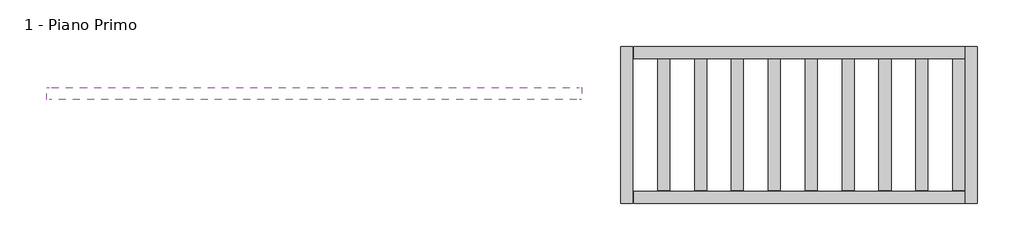
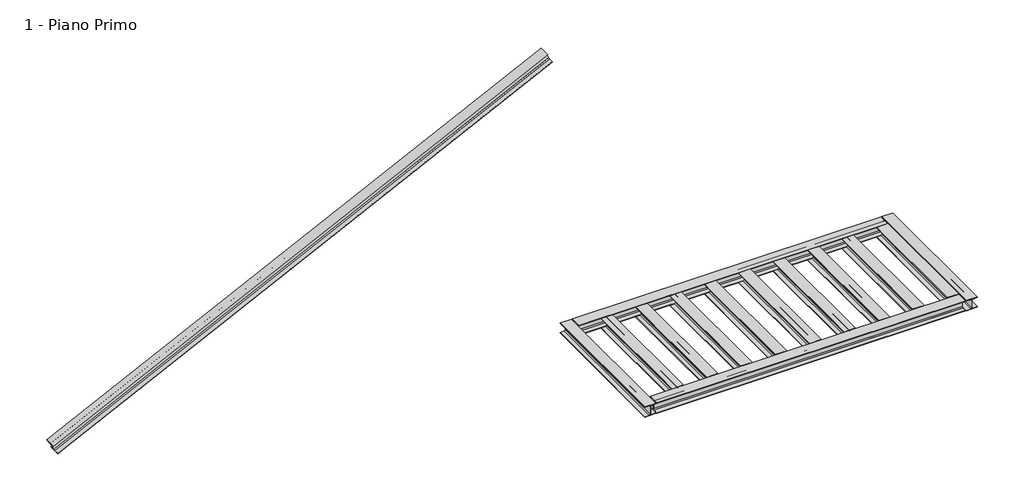
# One storey: 14 beams.
"""IFC4 building model written with IfcOpenShell, lengths in millimetres."""

import ifcopenshell
import ifcopenshell.guid

model = None  # the IFC model being written
_history = None  # IfcOwnerHistory: only IFC2X3 demands one
_inside = {}  # id of a spatial element -> (the spatial element, [elements in it])
_under = {}  # id of a project, library or spatial element -> (it, [spatial elements below it])
_declared = {}  # id of a project -> (the project, [libraries it declares])
_typed = {}  # id of a type object -> (the type object, [elements of that type])
_made_of = {}  # id of a material, layer set ... -> (it, [elements and type objects made of it])


def new_model(schema):
    """Start an empty IFC model of exactly this schema.

    Asked for "IFC4X3", IfcOpenShell would pick the latest addendum, in which some entities
    have other attributes; the version numbers below select the first issue.
    IFC2X3 requires an IfcOwnerHistory on every rooted entity: one is made here for all.
    """
    global model, _history
    if schema == "IFC4X3":
        model = ifcopenshell.file(schema_version=(4, 3, 0, 0))
    else:
        model = ifcopenshell.file(schema=schema)
    _inside.clear()
    _under.clear()
    _declared.clear()
    _typed.clear()
    _made_of.clear()
    _history = None
    if model.schema == "IFC2X3":
        org = make("IfcOrganization", Name="unknown")
        user = make(
            "IfcPersonAndOrganization",
            ThePerson=make("IfcPerson", FamilyName="unknown"),
            TheOrganization=org,
        )
        app = make(
            "IfcApplication",
            ApplicationDeveloper=org,
            Version="unknown",
            ApplicationFullName="unknown",
            ApplicationIdentifier="unknown",
        )
        _history = make(
            "IfcOwnerHistory",
            OwningUser=user,
            OwningApplication=app,
            ChangeAction="ADDED",
            CreationDate=0,
        )
    return model


def make(cls, **values):
    """One entity of the class cls with the attributes given. An attribute that is None is left unset."""
    return model.create_entity(
        cls, **{name: value for name, value in values.items() if value is not None}
    )


def rooted(cls, **values):
    """An entity with a GlobalId (a new one), such as an element, a storey or a relation."""
    return make(cls, GlobalId=ifcopenshell.guid.new(), OwnerHistory=_history, **values)


def si_unit(unit_type, name, prefix=None):
    """IfcSIUnit, for example si_unit("LENGTHUNIT", "METRE", prefix="MILLI")."""
    return make("IfcSIUnit", UnitType=unit_type, Prefix=prefix, Name=name)


def assignment(units):
    """IfcUnitAssignment: the units of a project."""
    return None if units is None else make("IfcUnitAssignment", Units=units)


def point(xyz):
    """IfcCartesianPoint."""
    return None if xyz is None else make("IfcCartesianPoint", Coordinates=xyz)


def direction(xyz):
    """IfcDirection."""
    return None if xyz is None else make("IfcDirection", DirectionRatios=xyz)


def frame(location, z_axis=None, x_axis=None):
    """IfcAxis2Placement3D, a coordinate frame: its origin and axes. An axis left out is left unset."""
    return make(
        "IfcAxis2Placement3D",
        Location=point(location),
        Axis=direction(z_axis),
        RefDirection=direction(x_axis),
    )


def frame_2d(location, x_axis=None):
    """IfcAxis2Placement2D, a coordinate frame in the plane: its origin and x axis."""
    return make(
        "IfcAxis2Placement2D", Location=point(location), RefDirection=direction(x_axis)
    )


def origin():
    """The frame at (0, 0, 0) with its axes left unset."""
    return frame((0.0, 0.0, 0.0))


def place(relative_to, where):
    """IfcLocalPlacement: puts the frame where relative to a parent placement (None: the world)."""
    return make(
        "IfcLocalPlacement", PlacementRelTo=relative_to, RelativePlacement=where
    )


def context(
    kind, dimensions, precision=None, world=None, true_north=None, identifier=None
):
    """IfcGeometricRepresentationContext, for example the 3D "Model" context."""
    return make(
        "IfcGeometricRepresentationContext",
        ContextIdentifier=identifier,
        ContextType=kind,
        CoordinateSpaceDimension=dimensions,
        Precision=precision,
        WorldCoordinateSystem=world,
        TrueNorth=true_north,
    )


def project(units=None, contexts=None):
    """IfcProject with its units and contexts."""
    return rooted(
        "IfcProject",
        Name="project",
        RepresentationContexts=contexts,
        UnitsInContext=assignment(units),
    )


def spatial(cls, under=None, at=None, **own):
    """A site, building, storey or space (cls), placed at a placement, below another one or the project."""
    s = rooted(cls, ObjectPlacement=at, **own)
    if under is not None:
        _under.setdefault(under.id(), (under, []))[1].append(s)
    return s


def polyline(points):
    """IfcPolyline through the points."""
    return make("IfcPolyline", Points=[point(p) for p in points])


def circle_curve(where, radius):
    """IfcCircle in the frame where."""
    return make("IfcCircle", Position=where, Radius=radius)


def trimmed(basis, trim1, trim2, sense, master):
    """IfcTrimmedCurve: the piece of a basis curve between two trims."""
    return make(
        "IfcTrimmedCurve",
        BasisCurve=basis,
        Trim1=trim1,
        Trim2=trim2,
        SenseAgreement=sense,
        MasterRepresentation=master,
    )


def segment(curve, same_sense, transition):
    """IfcCompositeCurveSegment."""
    return make(
        "IfcCompositeCurveSegment",
        Transition=transition,
        SameSense=same_sense,
        ParentCurve=curve,
    )


def composite_curve(segments, self_intersect=None):
    """IfcCompositeCurve: segments joined end to end."""
    return make("IfcCompositeCurve", Segments=segments, SelfIntersect=self_intersect)


def outline(outer, holes=None, kind="AREA"):
    """IfcArbitraryClosedProfileDef: a profile drawn as a closed curve; with holes, ...WithVoids."""
    if holes is None:
        return make("IfcArbitraryClosedProfileDef", ProfileType=kind, OuterCurve=outer)
    return make(
        "IfcArbitraryProfileDefWithVoids",
        ProfileType=kind,
        OuterCurve=outer,
        InnerCurves=holes,
    )


def extrude(swept, where, along, depth):
    """IfcExtrudedAreaSolid: the profile swept, set in the frame where, extruded along a direction by depth."""
    return make(
        "IfcExtrudedAreaSolid",
        SweptArea=swept,
        Position=where,
        ExtrudedDirection=direction(along),
        Depth=depth,
    )


def shape(context_of_items, identifier, shape_type, items):
    """IfcShapeRepresentation: the items that make up one representation, for example the "Body"."""
    return make(
        "IfcShapeRepresentation",
        ContextOfItems=context_of_items,
        RepresentationIdentifier=identifier,
        RepresentationType=shape_type,
        Items=items,
    )


def source(mapping_origin, context_of_items, identifier, shape_type, items):
    """IfcRepresentationMap: a shape defined once, which mapped items show again and again."""
    return make(
        "IfcRepresentationMap",
        MappingOrigin=mapping_origin,
        MappedRepresentation=shape(context_of_items, identifier, shape_type, items),
    )


def transform(
    local_origin,
    x_axis=None,
    y_axis=None,
    z_axis=None,
    scale=None,
    scale2=None,
    scale3=None,
    uniform=True,
):
    """IfcCartesianTransformationOperator3D, or its non-uniform kind. x_axis, y_axis, z_axis: its Axis1, 2, 3."""
    if uniform:
        return make(
            "IfcCartesianTransformationOperator3D",
            Axis1=direction(x_axis),
            Axis2=direction(y_axis),
            LocalOrigin=point(local_origin),
            Scale=scale,
            Axis3=direction(z_axis),
        )
    return make(
        "IfcCartesianTransformationOperator3DnonUniform",
        Axis1=direction(x_axis),
        Axis2=direction(y_axis),
        LocalOrigin=point(local_origin),
        Scale=scale,
        Axis3=direction(z_axis),
        Scale2=scale2,
        Scale3=scale3,
    )


def mapped(mapping_source, mapping_target):
    """IfcMappedItem: shows the shape of a source again, moved by a transform."""
    return make(
        "IfcMappedItem", MappingSource=mapping_source, MappingTarget=mapping_target
    )


def made_of(thing, what):
    """Note that an element or type object is made of a material, layer set ...; save() writes the relation."""
    if what is not None:
        _made_of.setdefault(what.id(), (what, []))[1].append(thing)
    return thing


def element(
    cls,
    number,
    at=None,
    inside=None,
    cuts=None,
    type_object=None,
    material=None,
    context=None,
    identifier="Body",
    shape_type=None,
    held_by="IfcProductDefinitionShape",
    body=None,
    shapes=None,
    **own,
):
    """One element of the class cls, such as IfcWall. Its Tag is "e" and its number.

    at: its placement. inside: the storey or other place that contains it. cuts: it is an
    opening in that element (IfcRelVoidsElement). A single representation is given by context,
    identifier, shape_type and body (its items); several are given by shapes. held_by: the class
    of the entity that holds the representations. save() writes the other relations.
    """
    e = rooted(cls, Tag="e%d" % number, ObjectPlacement=at, **own)
    if body is not None:
        shapes = [shape(context, identifier, shape_type, body)]
    if shapes is not None:
        e.Representation = make(held_by, Representations=shapes)
    if inside is not None:
        _inside.setdefault(inside.id(), (inside, []))[1].append(e)
    if cuts is not None:
        rooted(
            "IfcRelVoidsElement", RelatingBuildingElement=cuts, RelatedOpeningElement=e
        )
    if type_object is not None:
        _typed.setdefault(type_object.id(), (type_object, []))[1].append(e)
    return made_of(e, material)


def aggregate(whole, parts):
    """IfcRelAggregates: a whole, such as a stair, and the parts it consists of."""
    return rooted("IfcRelAggregates", RelatingObject=whole, RelatedObjects=parts)


def save(model, path):
    """Write the relations noted so far, then the file.

    IfcRelAggregates (storeys below a building ...), IfcRelContainedInSpatialStructure (elements
    in a storey), IfcRelDefinesByType, IfcRelAssociatesMaterial and IfcRelDeclares: one each for
    every whole, place, type object, material and project.
    """
    for whole, parts in _under.values():
        aggregate(whole, parts)
    for where, things in _inside.values():
        rooted(
            "IfcRelContainedInSpatialStructure",
            RelatedElements=things,
            RelatingStructure=where,
        )
    for kind, things in _typed.values():
        rooted("IfcRelDefinesByType", RelatedObjects=things, RelatingType=kind)
    for what, things in _made_of.values():
        rooted("IfcRelAssociatesMaterial", RelatedObjects=things, RelatingMaterial=what)
    for by, libraries in _declared.values():
        rooted("IfcRelDeclares", RelatingContext=by, RelatedDefinitions=libraries)
    model.write(path)


def travi_he_he200a_5fff92a0(model_context):
    return source(origin(), model_context, "Body", "SweptSolid", [
        extrude(outline(composite_curve([segment(polyline([(100.0, -85.0), (100.0, -95.0), (-100.0, -95.0), (-100.0, -85.0), (-21.25, -85.0)]), True, "CONTINUOUS"), segment(trimmed(circle_curve(frame_2d((-21.25, -67.0)), 18.0), [point((-21.25, -85.0))], [point((-3.25, -67.0))], True, "CARTESIAN"), True, "CONTINUOUS"), segment(polyline([(-3.25, -67.0), (-3.25, 67.0)]), True, "CONTINUOUS"), segment(trimmed(circle_curve(frame_2d((-21.25, 67.0)), 18.0), [point((-3.25, 67.0))], [point((-21.25, 85.0))], True, "CARTESIAN"), True, "CONTINUOUS"), segment(polyline([(-21.25, 85.0), (-100.0, 85.0), (-100.0, 95.0), (100.0, 95.0), (100.0, 85.0), (21.25, 85.0)]), True, "CONTINUOUS"), segment(trimmed(circle_curve(frame_2d((21.25, 67.0)), 18.0), [point((21.25, 85.0))], [point((3.25, 67.0))], True, "CARTESIAN"), True, "CONTINUOUS"), segment(polyline([(3.25, 67.0), (3.25, -67.0)]), True, "CONTINUOUS"), segment(trimmed(circle_curve(frame_2d((21.25, -67.0)), 18.0), [point((3.25, -67.0))], [point((21.25, -85.0))], True, "CARTESIAN"), True, "CONTINUOUS"), segment(polyline([(21.25, -85.0), (100.0, -85.0)]), True, "CONTINUOUS")], self_intersect=False)), frame((-4878.5, 0.0, 0.0), z_axis=(1.0, 0.0, 0.0), x_axis=(0.0, 1.0, 0.0)), (0.0, 0.0, 1.0), 9757.0),
    ])


def travi_he_he200a_14065193(model_context):
    return source(origin(), model_context, "Body", "SweptSolid", [
        extrude(outline(composite_curve([segment(polyline([(100.0, -85.0), (100.0, -95.0), (-100.0, -95.0), (-100.0, -85.0), (-21.25, -85.0)]), True, "CONTINUOUS"), segment(trimmed(circle_curve(frame_2d((-21.25, -67.0)), 18.0), [point((-21.25, -85.0))], [point((-3.25, -67.0))], True, "CARTESIAN"), True, "CONTINUOUS"), segment(polyline([(-3.25, -67.0), (-3.25, 67.0)]), True, "CONTINUOUS"), segment(trimmed(circle_curve(frame_2d((-21.25, 67.0)), 18.0), [point((-3.25, 67.0))], [point((-21.25, 85.0))], True, "CARTESIAN"), True, "CONTINUOUS"), segment(polyline([(-21.25, 85.0), (-100.0, 85.0), (-100.0, 95.0), (100.0, 95.0), (100.0, 85.0), (21.25, 85.0)]), True, "CONTINUOUS"), segment(trimmed(circle_curve(frame_2d((21.25, 67.0)), 18.0), [point((21.25, 85.0))], [point((3.25, 67.0))], True, "CARTESIAN"), True, "CONTINUOUS"), segment(polyline([(3.25, 67.0), (3.25, -67.0)]), True, "CONTINUOUS"), segment(trimmed(circle_curve(frame_2d((21.25, -67.0)), 18.0), [point((3.25, -67.0))], [point((21.25, -85.0))], True, "CARTESIAN"), True, "CONTINUOUS"), segment(polyline([(21.25, -85.0), (100.0, -85.0)]), True, "CONTINUOUS")], self_intersect=False)), frame((-1087.0, 0.0, 0.0), z_axis=(1.0, 0.0, 0.0), x_axis=(0.0, 1.0, 0.0)), (0.0, 0.0, 1.0), 2174.0),
    ])


def travi_he_he200a_d02c7d33(model_context):
    return source(origin(), model_context, "Body", "SweptSolid", [
        extrude(outline(composite_curve([segment(polyline([(100.0, -85.0), (100.0, -95.0), (-100.0, -95.0), (-100.0, -85.0), (-21.25, -85.0)]), True, "CONTINUOUS"), segment(trimmed(circle_curve(frame_2d((-21.25, -67.0)), 18.0), [point((-21.25, -85.0))], [point((-3.25, -67.0))], True, "CARTESIAN"), True, "CONTINUOUS"), segment(polyline([(-3.25, -67.0), (-3.25, 67.0)]), True, "CONTINUOUS"), segment(trimmed(circle_curve(frame_2d((-21.25, 67.0)), 18.0), [point((-3.25, 67.0))], [point((-21.25, 85.0))], True, "CARTESIAN"), True, "CONTINUOUS"), segment(polyline([(-21.25, 85.0), (-100.0, 85.0), (-100.0, 95.0), (100.0, 95.0), (100.0, 85.0), (21.25, 85.0)]), True, "CONTINUOUS"), segment(trimmed(circle_curve(frame_2d((21.25, 67.0)), 18.0), [point((21.25, 85.0))], [point((3.25, 67.0))], True, "CARTESIAN"), True, "CONTINUOUS"), segment(polyline([(3.25, 67.0), (3.25, -67.0)]), True, "CONTINUOUS"), segment(trimmed(circle_curve(frame_2d((21.25, -67.0)), 18.0), [point((3.25, -67.0))], [point((21.25, -85.0))], True, "CARTESIAN"), True, "CONTINUOUS"), segment(polyline([(21.25, -85.0), (100.0, -85.0)]), True, "CONTINUOUS")], self_intersect=False)), frame((-1300.0, 0.0, 0.0), z_axis=(1.0, 0.0, 0.0), x_axis=(0.0, 1.0, 0.0)), (0.0, 0.0, 1.0), 2600.0),
    ])


def travi_he_he200a_9a17a142(model_context):
    return source(origin(), model_context, "Body", "SweptSolid", [
        extrude(outline(composite_curve([segment(polyline([(100.0, -85.0), (100.0, -95.0), (-100.0, -95.0), (-100.0, -85.0), (-21.25, -85.0)]), True, "CONTINUOUS"), segment(trimmed(circle_curve(frame_2d((-21.25, -67.0)), 18.0), [point((-21.25, -85.0))], [point((-3.25, -67.0))], True, "CARTESIAN"), True, "CONTINUOUS"), segment(polyline([(-3.25, -67.0), (-3.25, 67.0)]), True, "CONTINUOUS"), segment(trimmed(circle_curve(frame_2d((-21.25, 67.0)), 18.0), [point((-3.25, 67.0))], [point((-21.25, 85.0))], True, "CARTESIAN"), True, "CONTINUOUS"), segment(polyline([(-21.25, 85.0), (-100.0, 85.0), (-100.0, 95.0), (100.0, 95.0), (100.0, 85.0), (21.25, 85.0)]), True, "CONTINUOUS"), segment(trimmed(circle_curve(frame_2d((21.25, 67.0)), 18.0), [point((21.25, 85.0))], [point((3.25, 67.0))], True, "CARTESIAN"), True, "CONTINUOUS"), segment(polyline([(3.25, 67.0), (3.25, -67.0)]), True, "CONTINUOUS"), segment(trimmed(circle_curve(frame_2d((21.25, -67.0)), 18.0), [point((3.25, -67.0))], [point((21.25, -85.0))], True, "CARTESIAN"), True, "CONTINUOUS"), segment(polyline([(21.25, -85.0), (100.0, -85.0)]), True, "CONTINUOUS")], self_intersect=False)), frame((-2737.0, 0.0, 0.0), z_axis=(1.0, 0.0, 0.0), x_axis=(0.0, 1.0, 0.0)), (0.0, 0.0, 1.0), 5474.0),
    ])


model = new_model("IFC4")

# Units and contexts
model_context = context("Model", 3, world=origin())
ifc_project = project(units=[si_unit("LENGTHUNIT", "METRE", prefix="MILLI")], contexts=[model_context])

# Site, building, storey
site = spatial("IfcSite", under=ifc_project)
building = spatial("IfcBuilding", under=site)
storey = spatial("IfcBuildingStorey", under=building, Name="1 - Piano Primo", Elevation=3100.0)

# Beams
placement = place(None, origin())
travi_he_he200a_shape = travi_he_he200a_5fff92a0(model_context)
element("IfcBeam", 1, ObjectType="Travi HE : HE200A", at=placement, inside=storey, context=model_context, shape_type="MappedRepresentation", body=[
    mapped(travi_he_he200a_shape, transform((-4552.9771331, -3282.3485175, 6703.9348501), x_axis=(-0.898794046299167, 0.0, -0.43837114678907696), y_axis=(0.0, -1.0, 0.0), z_axis=(-0.43837114678907707, 0.0, 0.8987940462991673))),
])
travi_he_he200a_2_shape = travi_he_he200a_14065193(model_context)
element("IfcBeam", 2, ObjectType="Travi HE : HE200A", at=placement, inside=storey, context=model_context, shape_type="MappedRepresentation", body=[
    mapped(travi_he_he200a_2_shape, transform((1228.8440341, -3798.6404727, 3005.0), x_axis=(0.0, -1.0, 0.0), y_axis=(1.0, 0.0, 0.0), z_axis=(0.0, 0.0, 1.0))),
])
element("IfcBeam", 3, ObjectType="Travi HE : HE200A", at=placement, inside=storey, context=model_context, shape_type="MappedRepresentation", body=[
    mapped(travi_he_he200a_2_shape, transform((1838.8440341, -3798.6404727, 3005.0), x_axis=(0.0, -1.0, 0.0), y_axis=(1.0, 0.0, 0.0), z_axis=(0.0, 0.0, 1.0))),
])
element("IfcBeam", 4, ObjectType="Travi HE : HE200A", at=placement, inside=storey, context=model_context, shape_type="MappedRepresentation", body=[
    mapped(travi_he_he200a_2_shape, transform((2448.8440341, -3798.6404727, 3005.0), x_axis=(0.0, -1.0, 0.0), y_axis=(1.0, 0.0, 0.0), z_axis=(0.0, 0.0, 1.0))),
])
element("IfcBeam", 5, ObjectType="Travi HE : HE200A", at=placement, inside=storey, context=model_context, shape_type="MappedRepresentation", body=[
    mapped(travi_he_he200a_2_shape, transform((3058.8440341, -3798.6404727, 3005.0), x_axis=(0.0, -1.0, 0.0), y_axis=(1.0, 0.0, 0.0), z_axis=(0.0, 0.0, 1.0))),
])
element("IfcBeam", 6, ObjectType="Travi HE : HE200A", at=placement, inside=storey, context=model_context, shape_type="MappedRepresentation", body=[
    mapped(travi_he_he200a_2_shape, transform((3668.8440341, -3798.6404727, 3005.0), x_axis=(0.0, -1.0, 0.0), y_axis=(1.0, 0.0, 0.0), z_axis=(0.0, 0.0, 1.0))),
])
element("IfcBeam", 7, ObjectType="Travi HE : HE200A", at=placement, inside=storey, context=model_context, shape_type="MappedRepresentation", body=[
    mapped(travi_he_he200a_2_shape, transform((4278.8440341, -3798.6404727, 3005.0), x_axis=(0.0, -1.0, 0.0), y_axis=(1.0, 0.0, 0.0), z_axis=(0.0, 0.0, 1.0))),
])
element("IfcBeam", 8, ObjectType="Travi HE : HE200A", at=placement, inside=storey, context=model_context, shape_type="MappedRepresentation", body=[
    mapped(travi_he_he200a_2_shape, transform((4888.8440341, -3798.6404727, 3005.0), x_axis=(0.0, -1.0, 0.0), y_axis=(1.0, 0.0, 0.0), z_axis=(0.0, 0.0, 1.0))),
])
element("IfcBeam", 9, ObjectType="Travi HE : HE200A", at=placement, inside=storey, context=model_context, shape_type="MappedRepresentation", body=[
    mapped(travi_he_he200a_2_shape, transform((5498.8440341, -3798.6404727, 3005.0), x_axis=(0.0, -1.0, 0.0), y_axis=(1.0, 0.0, 0.0), z_axis=(0.0, 0.0, 1.0))),
])
element("IfcBeam", 10, ObjectType="Travi HE : HE200A", at=placement, inside=storey, context=model_context, shape_type="MappedRepresentation", body=[
    mapped(travi_he_he200a_2_shape, transform((6108.8440341, -3798.6404727, 3005.0), x_axis=(0.0, -1.0, 0.0), y_axis=(1.0, 0.0, 0.0), z_axis=(0.0, 0.0, 1.0))),
])
travi_he_he200a_3_shape = travi_he_he200a_d02c7d33(model_context)
element("IfcBeam", 11, ObjectType="Travi HE : HE200A", at=placement, inside=storey, context=model_context, shape_type="MappedRepresentation", body=[
    mapped(travi_he_he200a_3_shape, transform((618.8440341, -3798.6404727, 3005.0), x_axis=(0.0, -1.0, 0.0), y_axis=(1.0, 0.0, 0.0), z_axis=(0.0, 0.0, 1.0))),
])
element("IfcBeam", 12, ObjectType="Travi HE : HE200A", at=placement, inside=storey, context=model_context, shape_type="MappedRepresentation", body=[
    mapped(travi_he_he200a_3_shape, transform((6318.8440341, -3798.6404727, 3005.0), x_axis=(0.0, 1.0, 0.0), y_axis=(-1.0, 0.0, 0.0), z_axis=(0.0, 0.0, 1.0))),
])
travi_he_he200a_4_shape = travi_he_he200a_9a17a142(model_context)
element("IfcBeam", 13, ObjectType="Travi HE : HE200A", at=placement, inside=storey, context=model_context, shape_type="MappedRepresentation", body=[
    mapped(travi_he_he200a_4_shape, transform((3468.8440341, -4998.6404727, 3005.0), x_axis=(1.0, 0.0, 0.0), y_axis=(0.0, 1.0, 0.0), z_axis=(0.0, 0.0, 1.0))),
])
element("IfcBeam", 14, ObjectType="Travi HE : HE200A", at=placement, inside=storey, context=model_context, shape_type="MappedRepresentation", body=[
    mapped(travi_he_he200a_4_shape, transform((3468.8440341, -2598.6404727, 3005.0), x_axis=(-1.0, 0.0, 0.0), y_axis=(0.0, -1.0, 0.0), z_axis=(0.0, 0.0, 1.0))),
])

save(model, "model.ifc")
